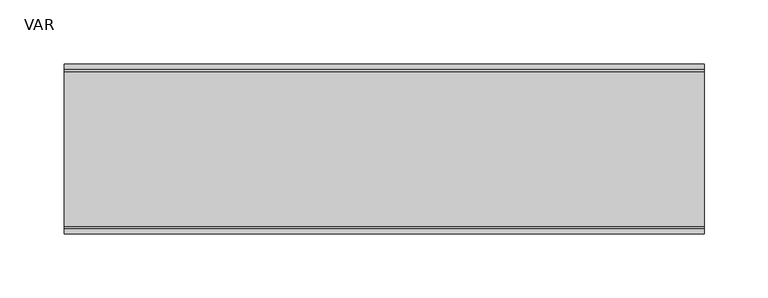
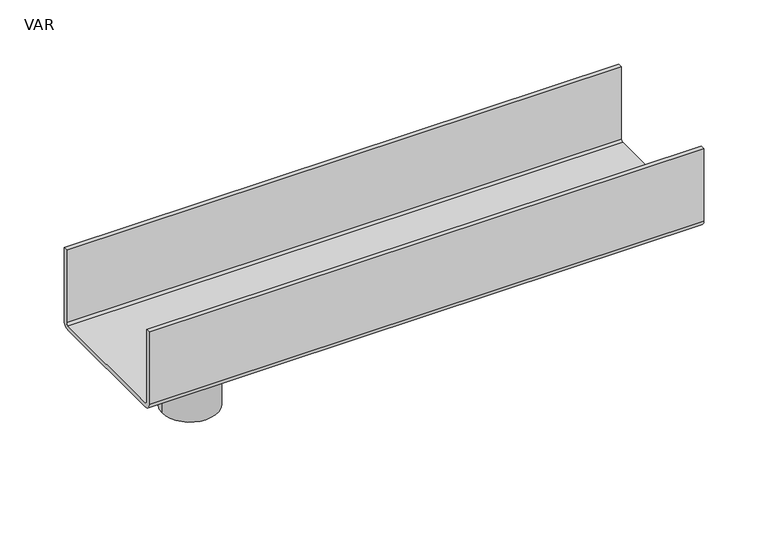
"""IFC4 building model written with IfcOpenShell, lengths in millimetres: sanitary terminal geometry, VAR."""

from ifc_helpers import new_model, si_unit, point, frame, frame_2d, origin, place, context, project, spatial, polyline, circle_curve, trimmed, segment, composite_curve, outline, extrude, source, transform, mapped, element, save


def var_5a3868b8(model_context):
    return source(origin(), model_context, "Body", "SweptSolid", [
        extrude(outline(composite_curve([segment(trimmed(circle_curve(frame_2d((60.5, -69.0)), 6.0), [point((66.5, -69.0))], [point((60.5, -75.0))], False, "CARTESIAN"), True, "CONTINUOUS"), segment(polyline([(60.5, -75.0), (-60.5, -75.0)]), True, "CONTINUOUS"), segment(trimmed(circle_curve(frame_2d((-60.5, -69.0)), 6.0), [point((-60.5, -75.0))], [point((-66.5, -69.0))], False, "CARTESIAN"), True, "CONTINUOUS"), segment(polyline([(-66.5, -69.0), (-66.5, 0.0), (-62.5, 0.0), (-62.5, -69.0)]), True, "CONTINUOUS"), segment(trimmed(circle_curve(frame_2d((-60.5, -69.0)), 2.0), [point((-62.5, -69.0))], [point((-60.5, -71.0))], True, "CARTESIAN"), True, "CONTINUOUS"), segment(polyline([(-60.5, -71.0), (60.5, -71.0)]), True, "CONTINUOUS"), segment(trimmed(circle_curve(frame_2d((60.5, -69.0)), 2.0), [point((60.5, -71.0))], [point((62.5, -69.0))], True, "CARTESIAN"), True, "CONTINUOUS"), segment(polyline([(62.5, -69.0), (62.5, 0.0), (66.5, 0.0), (66.5, -69.0)]), True, "CONTINUOUS")], self_intersect=False)), frame((0.0, 0.0, 0.0), z_axis=(1.0, 0.0, 0.0), x_axis=(0.0, 1.0, 0.0)), (0.0, 0.0, 1.0), 500.0),
        extrude(outline(composite_curve([segment(trimmed(circle_curve(frame_2d((75.0, 0.0)), 25.0), [point((50.0, 0.0))], [point((100.0, 0.0))], False, "CARTESIAN"), True, "CONTINUOUS"), segment(trimmed(circle_curve(frame_2d((75.0, 0.0)), 25.0), [point((100.0, 0.0))], [point((50.0, 0.0))], False, "CARTESIAN"), True, "CONTINUOUS")], self_intersect=False), holes=[composite_curve([segment(trimmed(circle_curve(frame_2d((75.0, 0.0)), 23.0), [point((52.0, 0.0))], [point((98.0, 0.0))], True, "CARTESIAN"), True, "CONTINUOUS"), segment(trimmed(circle_curve(frame_2d((75.0, 0.0)), 23.0), [point((98.0, 0.0))], [point((52.0, 0.0))], True, "CARTESIAN"), True, "CONTINUOUS")], self_intersect=False)]), frame((0.0, 0.0, -135.0), z_axis=(0.0, 0.0, 1.0), x_axis=(1.0, 0.0, 0.0)), (0.0, 0.0, 1.0), 60.0),
    ])


if __name__ == "__main__":
    model = new_model("IFC4")
    model_context = context("Model", 3, world=origin())
    ifc_project = project(units=[si_unit("LENGTHUNIT", "METRE", prefix="MILLI")], contexts=[model_context])
    site = spatial("IfcSite", under=ifc_project)
    building = spatial("IfcBuilding", under=site)
    placement = place(None, origin())
    var_shape = var_5a3868b8(model_context)
    element("IfcSanitaryTerminal", 1, ObjectType="VAR", at=placement, inside=building, context=model_context, shape_type="MappedRepresentation", body=[
        mapped(var_shape, transform((0.0, 0.0, 0.0), x_axis=(1.0, 0.0, 0.0), y_axis=(0.0, 1.0, 0.0), z_axis=(0.0, 0.0, 1.0))),
    ])
    save(model, "model.ifc")
